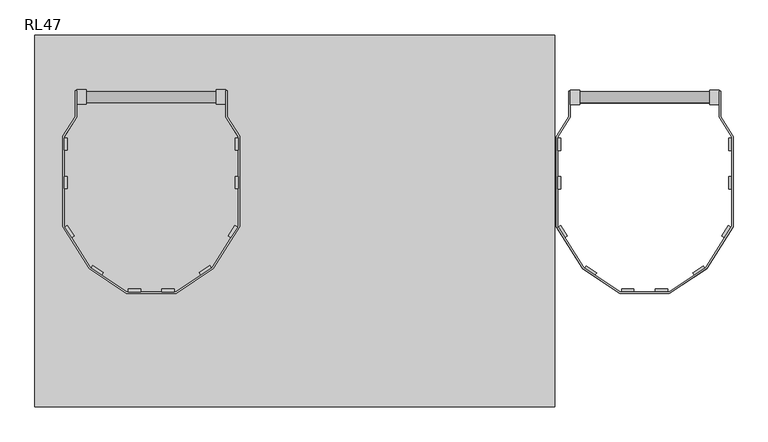
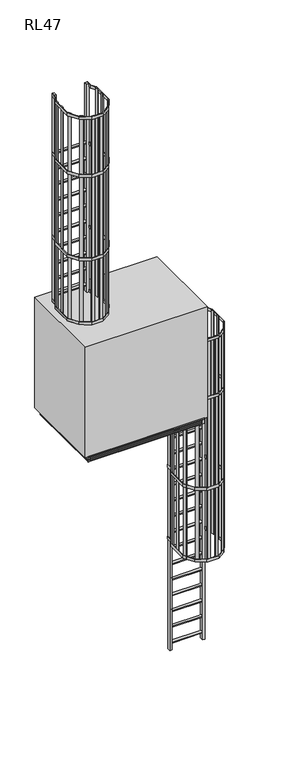
"""IFC4 building model written with IfcOpenShell, lengths in millimetres: proxy geometry, RL47."""

from ifc_helpers import new_model, si_unit, point, frame, frame_2d, origin, place, context, project, spatial, polyline, circle_curve, trimmed, segment, composite_curve, outline, extrude, faceted_brep, source, transform, mapped, element, save


def rl47_a1e043c0(model_context):
    return source(origin(), model_context, "Body", "SolidModel", [
        extrude(outline(polyline([(0.25, 5990.0), (0.25, 5424.0), (-699.75, 5424.0), (-699.75, 5990.0), (0.25, 5990.0)]), holes=[polyline([(-641.75, 5932.0), (-641.75, 5482.0), (-57.75, 5482.0), (-57.75, 5932.0), (-641.75, 5932.0)])]), frame((-400.0, 0.0, 0.0), z_axis=(1.0, 0.0, 0.0), x_axis=(0.0, 1.0, 0.0)), (0.0, 0.0, 1.0), 38.0),
        faceted_brep([(-2372.0, 139.0, 4984.0), (-2410.5, 139.0, 4984.0), (-2410.5, -1275.0, 4984.0), (-2372.0, -1275.0, 4984.0), (-2372.0, -1278.0, 4984.0), (-449.0, -1278.0, 4984.0), (-449.0, -1275.0, 4984.0), (-410.5, -1275.0, 4984.0), (-410.5, 139.0, 4984.0), (-449.0, 139.0, 4984.0), (-449.0, 142.0, 4984.0), (-2372.0, 142.0, 4984.0), (-449.0, 103.5, 4984.0), (-449.0, -1239.5, 4984.0), (-2372.0, -1239.5, 4984.0), (-2372.0, 103.5, 4984.0), (-2372.0, 139.0, 4904.0), (-2372.0, 142.0, 4904.0), (-449.0, 142.0, 4904.0), (-449.0, 139.0, 4904.0), (-410.5, 139.0, 4904.0), (-410.5, -1275.0, 4904.0), (-449.0, -1275.0, 4904.0), (-449.0, -1278.0, 4904.0), (-2372.0, -1278.0, 4904.0), (-2372.0, -1275.0, 4904.0), (-2410.5, -1275.0, 4904.0), (-2410.5, 139.0, 4904.0), (-449.0, 103.5, 4904.0), (-2372.0, 103.5, 4904.0), (-2372.0, -1239.5, 4904.0), (-449.0, -1239.5, 4904.0), (-2372.0, 139.0, 4977.0), (-2410.5, 139.0, 4977.0), (-2410.5, 139.0, 4911.0), (-2372.0, 139.0, 4911.0), (-2372.0, 139.0, 4967.0), (-2372.0, 139.0, 4949.0), (-2410.5, 139.0, 4949.0), (-2410.5, 139.0, 4967.0), (-2372.0, 139.0, 4939.0), (-2372.0, 139.0, 4921.0), (-2410.5, 139.0, 4921.0), (-2410.5, 139.0, 4939.0), (-2410.5, -1275.0, 4977.0), (-2410.5, -1275.0, 4911.0), (-2410.5, -1275.0, 4949.0), (-2410.5, -1275.0, 4967.0), (-2410.5, -1275.0, 4921.0), (-2410.5, -1275.0, 4939.0), (-449.0, -1275.0, 4977.0), (-410.5, -1275.0, 4977.0), (-410.5, -1275.0, 4911.0), (-449.0, -1275.0, 4911.0), (-449.0, -1275.0, 4967.0), (-449.0, -1275.0, 4949.0), (-410.5, -1275.0, 4949.0), (-410.5, -1275.0, 4967.0), (-449.0, -1275.0, 4939.0), (-449.0, -1275.0, 4921.0), (-410.5, -1275.0, 4921.0), (-410.5, -1275.0, 4939.0), (-410.5, 139.0, 4977.0), (-410.5, 139.0, 4911.0), (-410.5, 139.0, 4949.0), (-410.5, 139.0, 4967.0), (-410.5, 139.0, 4921.0), (-410.5, 139.0, 4939.0), (-2372.0, -1275.0, 4977.0), (-2372.0, -1275.0, 4911.0), (-2372.0, -1275.0, 4949.0), (-2372.0, -1275.0, 4967.0), (-2372.0, -1275.0, 4921.0), (-2372.0, -1275.0, 4939.0), (-2372.0, -1278.0, 4977.0), (-2372.0, -1278.0, 4911.0), (-2372.0, -1278.0, 4949.0), (-2372.0, -1278.0, 4967.0), (-2372.0, -1278.0, 4921.0), (-2372.0, -1278.0, 4939.0), (-449.0, -1278.0, 4977.0), (-449.0, -1278.0, 4911.0), (-449.0, -1278.0, 4949.0), (-449.0, -1278.0, 4967.0), (-449.0, -1278.0, 4921.0), (-449.0, -1278.0, 4939.0), (-449.0, 139.0, 4977.0), (-449.0, 139.0, 4911.0), (-449.0, 139.0, 4949.0), (-449.0, 139.0, 4967.0), (-449.0, 139.0, 4921.0), (-449.0, 139.0, 4939.0), (-449.0, 142.0, 4977.0), (-449.0, 142.0, 4911.0), (-449.0, 142.0, 4949.0), (-449.0, 142.0, 4967.0), (-449.0, 142.0, 4921.0), (-449.0, 142.0, 4939.0), (-2372.0, 142.0, 4977.0), (-2372.0, 142.0, 4911.0), (-2372.0, 142.0, 4949.0), (-2372.0, 142.0, 4967.0), (-2372.0, 142.0, 4921.0), (-2372.0, 142.0, 4939.0), (-423.5, 129.0, 4977.0), (-423.5, -1265.0, 4977.0), (-423.5, -1265.0, 4967.0), (-423.5, 129.0, 4967.0), (-423.5, 129.0, 4921.0), (-423.5, -1265.0, 4921.0), (-423.5, -1265.0, 4911.0), (-423.5, 129.0, 4911.0), (-2397.5, -1265.0, 4977.0), (-2397.5, -1265.0, 4967.0), (-2397.5, -1265.0, 4921.0), (-2397.5, -1265.0, 4911.0), (-2397.5, 129.0, 4977.0), (-2397.5, 129.0, 4967.0), (-2397.5, 129.0, 4921.0), (-2397.5, 129.0, 4911.0), (-423.5, 129.0, 4949.0), (-423.5, -1265.0, 4949.0), (-423.5, -1265.0, 4939.0), (-423.5, 129.0, 4939.0), (-2397.5, -1265.0, 4949.0), (-2397.5, -1265.0, 4939.0), (-2397.5, 129.0, 4949.0), (-2397.5, 129.0, 4939.0)], [[[0, 1, 2, 3, 4, 5, 6, 7, 8, 9, 10, 11], [12, 13, 14, 15]], [[16, 17, 18, 19, 20, 21, 22, 23, 24, 25, 26, 27], [28, 29, 30, 31]], [[1, 0, 32, 33]], [[16, 27, 34, 35]], [[36, 37, 38, 39]], [[40, 41, 42, 43]], [[2, 1, 33, 44]], [[27, 26, 45, 34]], [[39, 38, 46, 47]], [[43, 42, 48, 49]], [[7, 6, 50, 51]], [[22, 21, 52, 53]], [[54, 55, 56, 57]], [[58, 59, 60, 61]], [[8, 7, 51, 62]], [[21, 20, 63, 52]], [[57, 56, 64, 65]], [[61, 60, 66, 67]], [[13, 12, 28, 31]], [[14, 13, 31, 30]], [[15, 14, 30, 29]], [[12, 15, 29, 28]], [[3, 2, 44, 68]], [[26, 25, 69, 45]], [[47, 46, 70, 71]], [[49, 48, 72, 73]], [[4, 3, 68, 74]], [[25, 24, 75, 69]], [[71, 70, 76, 77]], [[73, 72, 78, 79]], [[5, 4, 74, 80]], [[24, 23, 81, 75]], [[77, 76, 82, 83]], [[79, 78, 84, 85]], [[6, 5, 80, 50]], [[23, 22, 53, 81]], [[55, 54, 83, 82]], [[59, 58, 85, 84]], [[9, 8, 62, 86]], [[20, 19, 87, 63]], [[65, 64, 88, 89]], [[67, 66, 90, 91]], [[10, 9, 86, 92]], [[19, 18, 93, 87]], [[89, 88, 94, 95]], [[91, 90, 96, 97]], [[11, 10, 92, 98]], [[18, 17, 99, 93]], [[95, 94, 100, 101]], [[97, 96, 102, 103]], [[0, 11, 98, 32]], [[17, 16, 35, 99]], [[37, 36, 101, 100]], [[41, 40, 103, 102]], [[104, 105, 106, 107]], [[108, 109, 110, 111]], [[106, 105, 112, 113]], [[110, 109, 114, 115]], [[113, 112, 116, 117]], [[115, 114, 118, 119]], [[33, 32, 98, 92, 86, 62, 51, 50, 80, 74, 68, 44], [105, 104, 116, 112]], [[36, 39, 47, 71, 77, 83, 54, 57, 65, 89, 95, 101], [107, 106, 113, 117]], [[104, 107, 117, 116]], [[42, 41, 102, 96, 90, 66, 60, 59, 84, 78, 72, 48], [109, 108, 118, 114]], [[35, 34, 45, 69, 75, 81, 53, 52, 63, 87, 93, 99], [111, 110, 115, 119]], [[108, 111, 119, 118]], [[120, 121, 122, 123]], [[122, 121, 124, 125]], [[125, 124, 126, 127]], [[38, 37, 100, 94, 88, 64, 56, 55, 82, 76, 70, 46], [121, 120, 126, 124]], [[40, 43, 49, 73, 79, 85, 58, 61, 67, 91, 97, 103], [123, 122, 125, 127]], [[120, 123, 127, 126]]]),
        extrude(outline(polyline([(-410.5, 142.0), (-410.5, -1278.0), (-2410.5, -1278.0), (-2410.5, 142.0), (-410.5, 142.0)]), holes=[polyline([(-469.5, 123.5), (-2351.5, 123.5), (-2351.5, -1259.5), (-469.5, -1259.5), (-469.5, 123.5)])]), frame((0.0, 0.0, 4984.0), z_axis=(0.0, 0.0, 1.0), x_axis=(1.0, 0.0, 0.0)), (0.0, 0.0, 1.0), 19.0),
        extrude(outline(polyline([(-469.5, 123.5), (-469.5, -1259.5), (-2351.5, -1259.5), (-2351.5, 123.5), (-469.5, 123.5)])), frame((0.0, 0.0, 4984.0), z_axis=(0.0, 0.0, 1.0), x_axis=(1.0, 0.0, 0.0)), (0.0, 0.0, 1.0), 16.0),
        extrude(outline(polyline([(-2410.5, 142.0), (-2372.0, 142.0), (-2372.0, 139.0), (-2410.5, 139.0), (-2410.5, 142.0)])), frame((0.0, 0.0, 4904.0), z_axis=(0.0, 0.0, 1.0), x_axis=(1.0, 0.0, 0.0)), (0.0, 0.0, 1.0), 80.0),
        extrude(outline(polyline([(-449.0, 142.0), (-410.5, 142.0), (-410.5, 139.0), (-449.0, 139.0), (-449.0, 142.0)])), frame((0.0, 0.0, 4904.0), z_axis=(0.0, 0.0, 1.0), x_axis=(1.0, 0.0, 0.0)), (0.0, 0.0, 1.0), 80.0),
        extrude(outline(polyline([(-2372.0, -1278.0), (-2410.5, -1278.0), (-2410.5, -1275.0), (-2372.0, -1275.0), (-2372.0, -1278.0)])), frame((0.0, 0.0, 4904.0), z_axis=(0.0, 0.0, 1.0), x_axis=(1.0, 0.0, 0.0)), (0.0, 0.0, 1.0), 80.0),
        extrude(outline(polyline([(-410.5, -1278.0), (-449.0, -1278.0), (-449.0, -1275.0), (-410.5, -1275.0), (-410.5, -1278.0)])), frame((0.0, 0.0, 4904.0), z_axis=(0.0, 0.0, 1.0), x_axis=(1.0, 0.0, 0.0)), (0.0, 0.0, 1.0), 80.0),
        faceted_brep([(-362.5, -1278.0, 7000.0), (-362.5, -1278.0, 5000.0), (-362.5, -712.25, 5000.0), (-362.5, -712.25, 5990.0), (-362.5, 12.75, 5990.0), (-362.5, 12.75, 5000.0), (-362.5, 222.0, 5000.0), (-362.5, 222.0, 7000.0), (-2458.5, -1278.0, 7000.0), (-2458.5, 222.0, 7000.0), (-2458.5, 222.0, 5000.0), (-2458.5, -1278.0, 5000.0), (-454.0, 12.75, 5000.0), (-454.0, -712.25, 5000.0), (-454.0, -712.25, 5990.0), (-454.0, 12.75, 5990.0)], [[[0, 1, 2, 3, 4, 5, 6, 7]], [[8, 9, 10, 11]], [[1, 0, 8, 11]], [[11, 10, 6, 5, 12, 13, 2, 1]], [[7, 6, 10, 9]], [[0, 7, 9, 8]], [[14, 15, 4, 3]], [[15, 12, 5, 4]], [[15, 14, 13, 12]], [[13, 14, 3, 2]]]),
        extrude(outline(polyline([(-2289.4565175, -641.6829436), (-2346.0, -551.0), (-2346.0, -187.2646621), (-2295.5, -107.2646621), (-2295.5, -4.0), (-2289.5, -4.0), (-2289.5, -109.0), (-2340.0, -189.0), (-2340.0, -549.2826578), (-2284.4374983, -638.3923304), (-2289.4565175, -641.6829436)])), frame((0.0, 0.0, 6000.0), z_axis=(0.0, 0.0, 1.0), x_axis=(1.0, 0.0, 0.0)), (0.0, 0.0, 1.0), 50.0),
        extrude(outline(polyline([(-2328.0, -244.0), (-2340.0, -244.0), (-2340.0, -194.0), (-2328.0, -194.0), (-2328.0, -244.0)])), frame((0.0, 0.0, 6000.0), z_axis=(0.0, 0.0, 1.0), x_axis=(1.0, 0.0, 0.0)), (0.0, 0.0, 1.0), 1000.0),
        extrude(outline(polyline([(-2328.0, -399.1413289), (-2340.0, -399.1413289), (-2340.0, -349.1413289), (-2328.0, -349.1413289), (-2328.0, -399.1413289)])), frame((0.0, 0.0, 6000.0), z_axis=(0.0, 0.0, 1.0), x_axis=(1.0, 0.0, 0.0)), (0.0, 0.0, 1.0), 1000.0),
        extrude(outline(polyline([(-2300.7167249, -589.6041694), (-2310.899429, -595.9533849), (-2337.3544935, -553.5254512), (-2327.1717895, -547.1762357), (-2300.7167249, -589.6041694)])), frame((0.0, 0.0, 6000.0), z_axis=(0.0, 0.0, 1.0), x_axis=(1.0, 0.0, 0.0)), (0.0, 0.0, 1.0), 1000.0),
        extrude(outline(polyline([(-2284.4374983, -638.3923304), (-2289.4565175, -641.6829436), (-2346.0, -551.0), (-2346.0, -187.2646621), (-2295.5, -107.2646621), (-2295.5, -4.0), (-2289.5, -4.0), (-2289.5, -109.0), (-2340.0, -189.0), (-2340.0, -549.2826578), (-2284.4374983, -638.3923304)])), frame((0.0, 0.0, 6950.0), z_axis=(0.0, 0.0, 1.0), x_axis=(1.0, 0.0, 0.0)), (0.0, 0.0, 1.0), 50.0),
        extrude(outline(polyline([(-2340.0, -399.1413289), (-2340.0, -349.1413289), (-2328.0, -349.1413289), (-2328.0, -399.1413289), (-2340.0, -399.1413289)])), frame((0.0, 0.0, 7000.0), z_axis=(0.0, 0.0, 1.0), x_axis=(1.0, 0.0, 0.0)), (0.0, 0.0, 1.0), 3775.0),
        extrude(outline(polyline([(-2340.0, -244.0), (-2340.0, -194.0), (-2328.0, -194.0), (-2328.0, -244.0), (-2340.0, -244.0)])), frame((0.0, 0.0, 7000.0), z_axis=(0.0, 0.0, 1.0), x_axis=(1.0, 0.0, 0.0)), (0.0, 0.0, 1.0), 3775.0),
        extrude(outline(polyline([(-2089.5, -821.0), (-2240.0, -721.0), (-2346.0, -551.0), (-2346.0, -187.2646621), (-2295.5, -107.2646621), (-2295.5, -4.0), (-2289.5, -4.0), (-2289.5, -109.0), (-2340.0, -189.0), (-2340.0, -549.2826578), (-2235.5965631, -716.7221321), (-2087.6883719, -815.0), (-1891.3116281, -815.0), (-1743.4034369, -716.7221321), (-1639.0, -549.2826578), (-1639.0, -189.0), (-1689.5, -109.0), (-1689.5, -4.0), (-1683.5, -4.0), (-1683.5, -107.2646621), (-1633.0, -187.2646621), (-1633.0, -551.0), (-1739.0, -721.0), (-1889.5, -821.0), (-2089.5, -821.0)])), frame((0.0, 0.0, 8162.5), z_axis=(0.0, 0.0, 1.0), x_axis=(1.0, 0.0, 0.0)), (0.0, 0.0, 1.0), 50.0),
        extrude(outline(polyline([(-2089.5, -821.0), (-2240.0, -721.0), (-2346.0, -551.0), (-2346.0, -187.2646621), (-2295.5, -107.2646621), (-2295.5, -4.0), (-2289.5, -4.0), (-2289.5, -109.0), (-2340.0, -189.0), (-2340.0, -549.2826578), (-2235.5965631, -716.7221321), (-2087.6883719, -815.0), (-1891.3116281, -815.0), (-1743.4034369, -716.7221321), (-1639.0, -549.2826578), (-1639.0, -189.0), (-1689.5, -109.0), (-1689.5, -4.0), (-1683.5, -4.0), (-1683.5, -107.2646621), (-1633.0, -187.2646621), (-1633.0, -551.0), (-1739.0, -721.0), (-1889.5, -821.0), (-2089.5, -821.0)])), frame((0.0, 0.0, 9675.0), z_axis=(0.0, 0.0, 1.0), x_axis=(1.0, 0.0, 0.0)), (0.0, 0.0, 1.0), 50.0),
        extrude(outline(polyline([(-2089.5, -821.0), (-2240.0, -721.0), (-2346.0, -551.0), (-2346.0, -187.2646621), (-2295.5, -107.2646621), (-2295.5, -4.0), (-2289.5, -4.0), (-2289.5, -109.0), (-2340.0, -189.0), (-2340.0, -549.2826578), (-2235.5965631, -716.7221321), (-2087.6883719, -815.0), (-1891.3116281, -815.0), (-1743.4034369, -716.7221321), (-1639.0, -549.2826578), (-1639.0, -189.0), (-1689.5, -109.0), (-1689.5, -4.0), (-1683.5, -4.0), (-1683.5, -107.2646621), (-1633.0, -187.2646621), (-1633.0, -551.0), (-1739.0, -721.0), (-1889.5, -821.0), (-2089.5, -821.0)])), frame((0.0, 0.0, 7000.0), z_axis=(0.0, 0.0, 1.0), x_axis=(1.0, 0.0, 0.0)), (0.0, 0.0, 1.0), 50.0),
        extrude(outline(polyline([(-2082.6883719, -815.0), (-2082.6883719, -803.0), (-2032.6883719, -803.0), (-2032.6883719, -815.0), (-2082.6883719, -815.0)])), frame((0.0, 0.0, 7000.0), z_axis=(0.0, 0.0, 1.0), x_axis=(1.0, 0.0, 0.0)), (0.0, 0.0, 1.0), 3775.0),
        extrude(outline(polyline([(-2300.7167249, -589.6041694), (-2310.899429, -595.9533849), (-2337.3544935, -553.5254512), (-2327.1717895, -547.1762357), (-2300.7167249, -589.6041694)])), frame((0.0, 0.0, 7000.0), z_axis=(0.0, 0.0, 1.0), x_axis=(1.0, 0.0, 0.0)), (0.0, 0.0, 1.0), 3775.0),
        extrude(outline(polyline([(-2189.7870228, -747.1603648), (-2231.4320595, -719.4892441), (-2224.7909905, -709.4944353), (-2183.1459538, -737.165556), (-2189.7870228, -747.1603648)])), frame((0.0, 0.0, 7000.0), z_axis=(0.0, 0.0, 1.0), x_axis=(1.0, 0.0, 0.0)), (0.0, 0.0, 1.0), 3775.0),
        extrude(outline(polyline([(-1896.3116281, -815.0), (-1946.3116281, -815.0), (-1946.3116281, -803.0), (-1896.3116281, -803.0), (-1896.3116281, -815.0)])), frame((0.0, 0.0, 7000.0), z_axis=(0.0, 0.0, 1.0), x_axis=(1.0, 0.0, 0.0)), (0.0, 0.0, 1.0), 3775.0),
        extrude(outline(polyline([(-1678.2832751, -589.6041694), (-1651.8282105, -547.1762357), (-1641.6455065, -553.5254512), (-1668.100571, -595.9533849), (-1678.2832751, -589.6041694)])), frame((0.0, 0.0, 7000.0), z_axis=(0.0, 0.0, 1.0), x_axis=(1.0, 0.0, 0.0)), (0.0, 0.0, 1.0), 3775.0),
        extrude(outline(polyline([(-1789.2129772, -747.1603648), (-1795.8540462, -737.165556), (-1754.2090095, -709.4944353), (-1747.5679405, -719.4892441), (-1789.2129772, -747.1603648)])), frame((0.0, 0.0, 7000.0), z_axis=(0.0, 0.0, 1.0), x_axis=(1.0, 0.0, 0.0)), (0.0, 0.0, 1.0), 3775.0),
        extrude(outline(polyline([(-1639.0, -399.1413289), (-1651.0, -399.1413289), (-1651.0, -349.1413289), (-1639.0, -349.1413289), (-1639.0, -399.1413289)])), frame((0.0, 0.0, 7000.0), z_axis=(0.0, 0.0, 1.0), x_axis=(1.0, 0.0, 0.0)), (0.0, 0.0, 1.0), 3775.0),
        extrude(outline(polyline([(-1639.0, -244.0), (-1651.0, -244.0), (-1651.0, -194.0), (-1639.0, -194.0), (-1639.0, -244.0)])), frame((0.0, 0.0, 7000.0), z_axis=(0.0, 0.0, 1.0), x_axis=(1.0, 0.0, 0.0)), (0.0, 0.0, 1.0), 3775.0),
        extrude(outline(polyline([(-2089.5, -821.0), (-2240.0, -721.0), (-2346.0, -551.0), (-2346.0, -187.2646621), (-2295.5, -107.2646621), (-2295.5, -4.0), (-2289.5, -4.0), (-2289.5, -109.0), (-2340.0, -189.0), (-2340.0, -549.2826578), (-2235.5965631, -716.7221321), (-2087.6883719, -815.0), (-1891.3116281, -815.0), (-1743.4034369, -716.7221321), (-1639.0, -549.2826578), (-1639.0, -189.0), (-1689.5, -109.0), (-1689.5, -4.0), (-1683.5, -4.0), (-1683.5, -107.2646621), (-1633.0, -187.2646621), (-1633.0, -551.0), (-1739.0, -721.0), (-1889.5, -821.0), (-2089.5, -821.0)])), frame((0.0, 0.0, 10725.0), z_axis=(0.0, 0.0, 1.0), x_axis=(1.0, 0.0, 0.0)), (0.0, 0.0, 1.0), 50.0),
        extrude(outline(composite_curve([segment(polyline([(-51.5, 9409.25), (-51.5, 9426.25)]), True, "CONTINUOUS"), segment(trimmed(circle_curve(frame_2d((-29.0, 9413.2788462)), 25.9711538), [point((-51.5, 9426.25))], [point((-6.5, 9426.25))], False, "CARTESIAN"), True, "CONTINUOUS"), segment(polyline([(-6.5, 9426.25), (-6.5, 9409.25), (-51.5, 9409.25)]), True, "CONTINUOUS")], self_intersect=False)), frame((-2251.5, 0.0, 0.0), z_axis=(1.0, 0.0, 0.0), x_axis=(0.0, 1.0, 0.0)), (0.0, 0.0, 1.0), 524.0),
        extrude(outline(composite_curve([segment(polyline([(-51.5, 9123.5), (-51.5, 9140.5)]), True, "CONTINUOUS"), segment(trimmed(circle_curve(frame_2d((-29.0, 9127.5288462)), 25.9711538), [point((-51.5, 9140.5))], [point((-6.5, 9140.5))], False, "CARTESIAN"), True, "CONTINUOUS"), segment(polyline([(-6.5, 9140.5), (-6.5, 9123.5), (-51.5, 9123.5)]), True, "CONTINUOUS")], self_intersect=False)), frame((-2251.5, 0.0, 0.0), z_axis=(1.0, 0.0, 0.0), x_axis=(0.0, 1.0, 0.0)), (0.0, 0.0, 1.0), 524.0),
        extrude(outline(composite_curve([segment(polyline([(-51.5, 8837.75), (-51.5, 8854.75)]), True, "CONTINUOUS"), segment(trimmed(circle_curve(frame_2d((-29.0, 8841.7788462)), 25.9711538), [point((-51.5, 8854.75))], [point((-6.5, 8854.75))], False, "CARTESIAN"), True, "CONTINUOUS"), segment(polyline([(-6.5, 8854.75), (-6.5, 8837.75), (-51.5, 8837.75)]), True, "CONTINUOUS")], self_intersect=False)), frame((-2251.5, 0.0, 0.0), z_axis=(1.0, 0.0, 0.0), x_axis=(0.0, 1.0, 0.0)), (0.0, 0.0, 1.0), 524.0),
        extrude(outline(composite_curve([segment(polyline([(-51.5, 8552.0), (-51.5, 8569.0)]), True, "CONTINUOUS"), segment(trimmed(circle_curve(frame_2d((-29.0, 8556.0288462)), 25.9711538), [point((-51.5, 8569.0))], [point((-6.5, 8569.0))], False, "CARTESIAN"), True, "CONTINUOUS"), segment(polyline([(-6.5, 8569.0), (-6.5, 8552.0), (-51.5, 8552.0)]), True, "CONTINUOUS")], self_intersect=False)), frame((-2251.5, 0.0, 0.0), z_axis=(1.0, 0.0, 0.0), x_axis=(0.0, 1.0, 0.0)), (0.0, 0.0, 1.0), 524.0),
        extrude(outline(composite_curve([segment(polyline([(-51.5, 8266.25), (-51.5, 8283.25)]), True, "CONTINUOUS"), segment(trimmed(circle_curve(frame_2d((-29.0, 8270.2788462)), 25.9711538), [point((-51.5, 8283.25))], [point((-6.5, 8283.25))], False, "CARTESIAN"), True, "CONTINUOUS"), segment(polyline([(-6.5, 8283.25), (-6.5, 8266.25), (-51.5, 8266.25)]), True, "CONTINUOUS")], self_intersect=False)), frame((-2251.5, 0.0, 0.0), z_axis=(1.0, 0.0, 0.0), x_axis=(0.0, 1.0, 0.0)), (0.0, 0.0, 1.0), 524.0),
        extrude(outline(composite_curve([segment(polyline([(-51.5, 7980.5), (-51.5, 7997.5)]), True, "CONTINUOUS"), segment(trimmed(circle_curve(frame_2d((-29.0, 7984.5288462)), 25.9711538), [point((-51.5, 7997.5))], [point((-6.5, 7997.5))], False, "CARTESIAN"), True, "CONTINUOUS"), segment(polyline([(-6.5, 7997.5), (-6.5, 7980.5), (-51.5, 7980.5)]), True, "CONTINUOUS")], self_intersect=False)), frame((-2251.5, 0.0, 0.0), z_axis=(1.0, 0.0, 0.0), x_axis=(0.0, 1.0, 0.0)), (0.0, 0.0, 1.0), 524.0),
        extrude(outline(composite_curve([segment(polyline([(-51.5, 7694.75), (-51.5, 7711.75)]), True, "CONTINUOUS"), segment(trimmed(circle_curve(frame_2d((-29.0, 7698.7788462)), 25.9711538), [point((-51.5, 7711.75))], [point((-6.5, 7711.75))], False, "CARTESIAN"), True, "CONTINUOUS"), segment(polyline([(-6.5, 7711.75), (-6.5, 7694.75), (-51.5, 7694.75)]), True, "CONTINUOUS")], self_intersect=False)), frame((-2251.5, 0.0, 0.0), z_axis=(1.0, 0.0, 0.0), x_axis=(0.0, 1.0, 0.0)), (0.0, 0.0, 1.0), 524.0),
        extrude(outline(composite_curve([segment(polyline([(-51.5, 7409.0), (-51.5, 7426.0)]), True, "CONTINUOUS"), segment(trimmed(circle_curve(frame_2d((-29.0, 7413.0288462)), 25.9711538), [point((-51.5, 7426.0))], [point((-6.5, 7426.0))], False, "CARTESIAN"), True, "CONTINUOUS"), segment(polyline([(-6.5, 7426.0), (-6.5, 7409.0), (-51.5, 7409.0)]), True, "CONTINUOUS")], self_intersect=False)), frame((-2251.5, 0.0, 0.0), z_axis=(1.0, 0.0, 0.0), x_axis=(0.0, 1.0, 0.0)), (0.0, 0.0, 1.0), 524.0),
        extrude(outline(composite_curve([segment(polyline([(-51.5, 7123.25), (-51.5, 7140.25)]), True, "CONTINUOUS"), segment(trimmed(circle_curve(frame_2d((-29.0, 7127.2788462)), 25.9711538), [point((-51.5, 7140.25))], [point((-6.5, 7140.25))], False, "CARTESIAN"), True, "CONTINUOUS"), segment(polyline([(-6.5, 7140.25), (-6.5, 7123.25), (-51.5, 7123.25)]), True, "CONTINUOUS")], self_intersect=False)), frame((-2251.5, 0.0, 0.0), z_axis=(1.0, 0.0, 0.0), x_axis=(0.0, 1.0, 0.0)), (0.0, 0.0, 1.0), 524.0),
        extrude(outline(composite_curve([segment(polyline([(-51.5, 6837.5), (-51.5, 6854.5)]), True, "CONTINUOUS"), segment(trimmed(circle_curve(frame_2d((-29.0, 6841.5288462)), 25.9711538), [point((-51.5, 6854.5))], [point((-6.5, 6854.5))], False, "CARTESIAN"), True, "CONTINUOUS"), segment(polyline([(-6.5, 6854.5), (-6.5, 6837.5), (-51.5, 6837.5)]), True, "CONTINUOUS")], self_intersect=False)), frame((-2251.5, 0.0, 0.0), z_axis=(1.0, 0.0, 0.0), x_axis=(0.0, 1.0, 0.0)), (0.0, 0.0, 1.0), 524.0),
        extrude(outline(composite_curve([segment(polyline([(-51.5, 6551.75), (-51.5, 6568.75)]), True, "CONTINUOUS"), segment(trimmed(circle_curve(frame_2d((-29.0, 6555.7788462)), 25.9711538), [point((-51.5, 6568.75))], [point((-6.5, 6568.75))], False, "CARTESIAN"), True, "CONTINUOUS"), segment(polyline([(-6.5, 6568.75), (-6.5, 6551.75), (-51.5, 6551.75)]), True, "CONTINUOUS")], self_intersect=False)), frame((-2251.5, 0.0, 0.0), z_axis=(1.0, 0.0, 0.0), x_axis=(0.0, 1.0, 0.0)), (0.0, 0.0, 1.0), 524.0),
        extrude(outline(composite_curve([segment(polyline([(-51.5, 6266.0), (-51.5, 6283.0)]), True, "CONTINUOUS"), segment(trimmed(circle_curve(frame_2d((-29.0, 6270.0288462)), 25.9711538), [point((-51.5, 6283.0))], [point((-6.5, 6283.0))], False, "CARTESIAN"), True, "CONTINUOUS"), segment(polyline([(-6.5, 6283.0), (-6.5, 6266.0), (-51.5, 6266.0)]), True, "CONTINUOUS")], self_intersect=False)), frame((-2251.5, 0.0, 0.0), z_axis=(1.0, 0.0, 0.0), x_axis=(0.0, 1.0, 0.0)), (0.0, 0.0, 1.0), 524.0),
        extrude(outline(composite_curve([segment(polyline([(-51.5, 5980.25), (-51.5, 5997.25)]), True, "CONTINUOUS"), segment(trimmed(circle_curve(frame_2d((-29.0, 5984.2788462)), 25.9711538), [point((-51.5, 5997.25))], [point((-6.5, 5997.25))], False, "CARTESIAN"), True, "CONTINUOUS"), segment(polyline([(-6.5, 5997.25), (-6.5, 5980.25), (-51.5, 5980.25)]), True, "CONTINUOUS")], self_intersect=False)), frame((-2251.5, 0.0, 0.0), z_axis=(1.0, 0.0, 0.0), x_axis=(0.0, 1.0, 0.0)), (0.0, 0.0, 1.0), 524.0),
        extrude(outline(composite_curve([segment(polyline([(-51.5, 5694.5), (-51.5, 5711.5)]), True, "CONTINUOUS"), segment(trimmed(circle_curve(frame_2d((-29.0, 5698.5288462)), 25.9711538), [point((-51.5, 5711.5))], [point((-6.5, 5711.5))], False, "CARTESIAN"), True, "CONTINUOUS"), segment(polyline([(-6.5, 5711.5), (-6.5, 5694.5), (-51.5, 5694.5)]), True, "CONTINUOUS")], self_intersect=False)), frame((-2251.5, 0.0, 0.0), z_axis=(1.0, 0.0, 0.0), x_axis=(0.0, 1.0, 0.0)), (0.0, 0.0, 1.0), 524.0),
        extrude(outline(composite_curve([segment(polyline([(-51.5, 5408.75), (-51.5, 5425.75)]), True, "CONTINUOUS"), segment(trimmed(circle_curve(frame_2d((-29.0, 5412.7788462)), 25.9711538), [point((-51.5, 5425.75))], [point((-6.5, 5425.75))], False, "CARTESIAN"), True, "CONTINUOUS"), segment(polyline([(-6.5, 5425.75), (-6.5, 5408.75), (-51.5, 5408.75)]), True, "CONTINUOUS")], self_intersect=False)), frame((-2251.5, 0.0, 0.0), z_axis=(1.0, 0.0, 0.0), x_axis=(0.0, 1.0, 0.0)), (0.0, 0.0, 1.0), 524.0),
        extrude(outline(composite_curve([segment(polyline([(-51.5, 9695.0), (-51.5, 9712.0)]), True, "CONTINUOUS"), segment(trimmed(circle_curve(frame_2d((-29.0, 9699.0288462)), 25.9711538), [point((-51.5, 9712.0))], [point((-6.5, 9712.0))], False, "CARTESIAN"), True, "CONTINUOUS"), segment(polyline([(-6.5, 9712.0), (-6.5, 9695.0), (-51.5, 9695.0)]), True, "CONTINUOUS")], self_intersect=False)), frame((-2251.5, 0.0, 0.0), z_axis=(1.0, 0.0, 0.0), x_axis=(0.0, 1.0, 0.0)), (0.0, 0.0, 1.0), 524.0),
        extrude(outline(composite_curve([segment(polyline([(-51.5, 5123.0), (-51.5, 5140.0)]), True, "CONTINUOUS"), segment(trimmed(circle_curve(frame_2d((-29.0, 5127.0288462)), 25.9711538), [point((-51.5, 5140.0))], [point((-6.5, 5140.0))], False, "CARTESIAN"), True, "CONTINUOUS"), segment(polyline([(-6.5, 5140.0), (-6.5, 5123.0), (-51.5, 5123.0)]), True, "CONTINUOUS")], self_intersect=False)), frame((-2251.5, 0.0, 0.0), z_axis=(1.0, 0.0, 0.0), x_axis=(0.0, 1.0, 0.0)), (0.0, 0.0, 1.0), 524.0),
        extrude(outline(polyline([(-1689.5, -58.0), (-1727.5, -58.0), (-1727.5, 0.0), (-1689.5, 0.0), (-1689.5, -58.0)])), frame((0.0, 0.0, 5003.0), z_axis=(0.0, 0.0, 1.0), x_axis=(1.0, 0.0, 0.0)), (0.0, 0.0, 1.0), 5772.0),
        extrude(outline(polyline([(-2251.5, -58.0), (-2289.5, -58.0), (-2289.5, 0.0), (-2251.5, 0.0), (-2251.5, -58.0)])), frame((0.0, 0.0, 5003.0), z_axis=(0.0, 0.0, 1.0), x_axis=(1.0, 0.0, 0.0)), (0.0, 0.0, 1.0), 5772.0),
        faceted_brep([(-2293.0, -249.0, 5000.0), (-2240.0, -249.0, 5000.0), (-2240.0, -249.0, 5003.0), (-2290.0, -249.0, 5003.0), (-2293.0, -249.0, 5003.0), (-2290.0, 111.0, 5003.0), (-2240.0, 111.0, 5003.0), (-2240.0, 111.0, 5000.0), (-2293.0, 111.0, 5000.0), (-2293.0, 111.0, 5003.0), (-2290.0, -202.0, 5050.0), (-2290.0, 64.0, 5050.0), (-2293.0, 64.0, 5050.0), (-2293.0, -202.0, 5050.0)], [[[0, 1, 2, 3, 4]], [[5, 6, 7, 8, 9]], [[10, 11, 12, 13]], [[8, 0, 4, 13, 12, 9]], [[1, 0, 8, 7]], [[2, 1, 7, 6]], [[3, 2, 6, 5]], [[3, 5, 11, 10]], [[5, 9, 12, 11]], [[4, 3, 10, 13]]]),
        faceted_brep([(-1689.0, -249.0, 5003.0), (-1739.0, -249.0, 5003.0), (-1739.0, -249.0, 5000.0), (-1686.0, -249.0, 5000.0), (-1686.0, -249.0, 5003.0), (-1686.0, 111.0, 5000.0), (-1739.0, 111.0, 5000.0), (-1739.0, 111.0, 5003.0), (-1689.0, 111.0, 5003.0), (-1686.0, 111.0, 5003.0), (-1686.0, 64.0, 5050.0), (-1686.0, -202.0, 5050.0), (-1689.0, 64.0, 5050.0), (-1689.0, -202.0, 5050.0)], [[[0, 1, 2, 3, 4]], [[5, 6, 7, 8, 9]], [[1, 0, 8, 7]], [[2, 1, 7, 6]], [[3, 2, 6, 5]], [[3, 5, 9, 10, 11, 4]], [[11, 10, 12, 13]], [[8, 0, 13, 12]], [[9, 8, 12, 10]], [[0, 4, 11, 13]]]),
        extrude(outline(polyline([(-350.5, -399.1413289), (-350.5, -349.1413289), (-338.5, -349.1413289), (-338.5, -399.1413289), (-350.5, -399.1413289)])), frame((0.0, 0.0, 2000.0), z_axis=(0.0, 0.0, 1.0), x_axis=(1.0, 0.0, 0.0)), (0.0, 0.0, 1.0), 2950.0),
        extrude(outline(polyline([(-350.5, -244.0), (-350.5, -194.0), (-338.5, -194.0), (-338.5, -244.0), (-350.5, -244.0)])), frame((0.0, 0.0, 2000.0), z_axis=(0.0, 0.0, 1.0), x_axis=(1.0, 0.0, 0.0)), (0.0, 0.0, 1.0), 2950.0),
        extrude(outline(polyline([(-100.0, -821.0), (-250.5, -721.0), (-352.9458456, -556.700059), (-347.8544935, -553.5254512), (-246.0965631, -716.7221321), (-98.1883719, -815.0), (98.1883719, -815.0), (246.0965631, -716.7221321), (350.5, -549.2826578), (350.5, -189.0), (300.0, -109.0), (300.0, -4.0), (306.0, -4.0), (306.0, -107.2646621), (356.5, -187.2646621), (356.5, -551.0), (250.5, -721.0), (100.0, -821.0), (-100.0, -821.0)])), frame((0.0, 0.0, 4950.0), z_axis=(0.0, 0.0, 1.0), x_axis=(1.0, 0.0, 0.0)), (0.0, 0.0, 1.0), 50.0),
        extrude(outline(polyline([(-100.0, -821.0), (-250.5, -721.0), (-352.9458456, -556.700059), (-347.8544935, -553.5254512), (-246.0965631, -716.7221321), (-98.1883719, -815.0), (98.1883719, -815.0), (246.0965631, -716.7221321), (350.5, -549.2826578), (350.5, -189.0), (300.0, -109.0), (300.0, -4.0), (306.0, -4.0), (306.0, -107.2646621), (356.5, -187.2646621), (356.5, -551.0), (250.5, -721.0), (100.0, -821.0), (-100.0, -821.0)])), frame((0.0, 0.0, 6000.0), z_axis=(0.0, 0.0, 1.0), x_axis=(1.0, 0.0, 0.0)), (0.0, 0.0, 1.0), 50.0),
        extrude(outline(polyline([(-100.0, -821.0), (-250.5, -721.0), (-356.5, -551.0), (-356.5, -187.2646621), (-306.0, -107.2646621), (-306.0, -4.0), (-300.0, -4.0), (-300.0, -109.0), (-350.5, -189.0), (-350.5, -549.2826578), (-246.0965631, -716.7221321), (-98.1883719, -815.0), (98.1883719, -815.0), (246.0965631, -716.7221321), (350.5, -549.2826578), (350.5, -189.0), (300.0, -109.0), (300.0, -4.0), (306.0, -4.0), (306.0, -107.2646621), (356.5, -187.2646621), (356.5, -551.0), (250.5, -721.0), (100.0, -821.0), (-100.0, -821.0)])), frame((0.0, 0.0, 3300.0), z_axis=(0.0, 0.0, 1.0), x_axis=(1.0, 0.0, 0.0)), (0.0, 0.0, 1.0), 50.0),
        extrude(outline(polyline([(-100.0, -821.0), (-250.5, -721.0), (-356.5, -551.0), (-356.5, -187.2646621), (-306.0, -107.2646621), (-306.0, -4.0), (-300.0, -4.0), (-300.0, -109.0), (-350.5, -189.0), (-350.5, -549.2826578), (-246.0965631, -716.7221321), (-98.1883719, -815.0), (98.1883719, -815.0), (246.0965631, -716.7221321), (350.5, -549.2826578), (350.5, -189.0), (300.0, -109.0), (300.0, -4.0), (306.0, -4.0), (306.0, -107.2646621), (356.5, -187.2646621), (356.5, -551.0), (250.5, -721.0), (100.0, -821.0), (-100.0, -821.0)])), frame((0.0, 0.0, 2000.0), z_axis=(0.0, 0.0, 1.0), x_axis=(1.0, 0.0, 0.0)), (0.0, 0.0, 1.0), 50.0),
        extrude(outline(polyline([(-93.1883719, -815.0), (-93.1883719, -803.0), (-43.1883719, -803.0), (-43.1883719, -815.0), (-93.1883719, -815.0)])), frame((0.0, 0.0, 2000.0), z_axis=(0.0, 0.0, 1.0), x_axis=(1.0, 0.0, 0.0)), (0.0, 0.0, 1.0), 4050.0),
        extrude(outline(polyline([(-311.2167249, -589.6041694), (-321.399429, -595.9533849), (-347.8544935, -553.5254512), (-337.6717895, -547.1762357), (-311.2167249, -589.6041694)])), frame((0.0, 0.0, 2000.0), z_axis=(0.0, 0.0, 1.0), x_axis=(1.0, 0.0, 0.0)), (0.0, 0.0, 1.0), 4050.0),
        extrude(outline(polyline([(-200.2870228, -747.1603648), (-241.9320595, -719.4892441), (-235.2909905, -709.4944353), (-193.6459538, -737.165556), (-200.2870228, -747.1603648)])), frame((0.0, 0.0, 2000.0), z_axis=(0.0, 0.0, 1.0), x_axis=(1.0, 0.0, 0.0)), (0.0, 0.0, 1.0), 4050.0),
        extrude(outline(polyline([(93.1883719, -815.0), (43.1883719, -815.0), (43.1883719, -803.0), (93.1883719, -803.0), (93.1883719, -815.0)])), frame((0.0, 0.0, 2000.0), z_axis=(0.0, 0.0, 1.0), x_axis=(1.0, 0.0, 0.0)), (0.0, 0.0, 1.0), 4050.0),
        extrude(outline(polyline([(311.2167249, -589.6041694), (337.6717895, -547.1762357), (347.8544935, -553.5254512), (321.399429, -595.9533849), (311.2167249, -589.6041694)])), frame((0.0, 0.0, 2000.0), z_axis=(0.0, 0.0, 1.0), x_axis=(1.0, 0.0, 0.0)), (0.0, 0.0, 1.0), 4050.0),
        extrude(outline(polyline([(200.2870228, -747.1603648), (193.6459538, -737.165556), (235.2909905, -709.4944353), (241.9320595, -719.4892441), (200.2870228, -747.1603648)])), frame((0.0, 0.0, 2000.0), z_axis=(0.0, 0.0, 1.0), x_axis=(1.0, 0.0, 0.0)), (0.0, 0.0, 1.0), 4050.0),
        extrude(outline(polyline([(350.5, -399.1413289), (338.5, -399.1413289), (338.5, -349.1413289), (350.5, -349.1413289), (350.5, -399.1413289)])), frame((0.0, 0.0, 2000.0), z_axis=(0.0, 0.0, 1.0), x_axis=(1.0, 0.0, 0.0)), (0.0, 0.0, 1.0), 4050.0),
        extrude(outline(polyline([(350.5, -244.0), (338.5, -244.0), (338.5, -194.0), (350.5, -194.0), (350.5, -244.0)])), frame((0.0, 0.0, 2000.0), z_axis=(0.0, 0.0, 1.0), x_axis=(1.0, 0.0, 0.0)), (0.0, 0.0, 1.0), 4050.0),
        extrude(outline(composite_curve([segment(polyline([(-51.5, 4684.8823529), (-51.5, 4701.8823529)]), True, "CONTINUOUS"), segment(trimmed(circle_curve(frame_2d((-29.0, 4688.9111991)), 25.9711538), [point((-51.5, 4701.8823529))], [point((-6.5, 4701.8823529))], False, "CARTESIAN"), True, "CONTINUOUS"), segment(polyline([(-6.5, 4701.8823529), (-6.5, 4684.8823529), (-51.5, 4684.8823529)]), True, "CONTINUOUS")], self_intersect=False)), frame((-262.0, 0.0, 0.0), z_axis=(1.0, 0.0, 0.0), x_axis=(0.0, 1.0, 0.0)), (0.0, 0.0, 1.0), 524.0),
        extrude(outline(composite_curve([segment(polyline([(-51.5, 4399.7647059), (-51.5, 4416.7647059)]), True, "CONTINUOUS"), segment(trimmed(circle_curve(frame_2d((-29.0, 4403.793552)), 25.9711538), [point((-51.5, 4416.7647059))], [point((-6.5, 4416.7647059))], False, "CARTESIAN"), True, "CONTINUOUS"), segment(polyline([(-6.5, 4416.7647059), (-6.5, 4399.7647059), (-51.5, 4399.7647059)]), True, "CONTINUOUS")], self_intersect=False)), frame((-262.0, 0.0, 0.0), z_axis=(1.0, 0.0, 0.0), x_axis=(0.0, 1.0, 0.0)), (0.0, 0.0, 1.0), 524.0),
        extrude(outline(composite_curve([segment(polyline([(-51.5, 4114.6470588), (-51.5, 4131.6470588)]), True, "CONTINUOUS"), segment(trimmed(circle_curve(frame_2d((-29.0, 4118.675905)), 25.9711538), [point((-51.5, 4131.6470588))], [point((-6.5, 4131.6470588))], False, "CARTESIAN"), True, "CONTINUOUS"), segment(polyline([(-6.5, 4131.6470588), (-6.5, 4114.6470588), (-51.5, 4114.6470588)]), True, "CONTINUOUS")], self_intersect=False)), frame((-262.0, 0.0, 0.0), z_axis=(1.0, 0.0, 0.0), x_axis=(0.0, 1.0, 0.0)), (0.0, 0.0, 1.0), 524.0),
        extrude(outline(composite_curve([segment(polyline([(-51.5, 3829.5294118), (-51.5, 3846.5294118)]), True, "CONTINUOUS"), segment(trimmed(circle_curve(frame_2d((-29.0, 3833.5582579)), 25.9711538), [point((-51.5, 3846.5294118))], [point((-6.5, 3846.5294118))], False, "CARTESIAN"), True, "CONTINUOUS"), segment(polyline([(-6.5, 3846.5294118), (-6.5, 3829.5294118), (-51.5, 3829.5294118)]), True, "CONTINUOUS")], self_intersect=False)), frame((-262.0, 0.0, 0.0), z_axis=(1.0, 0.0, 0.0), x_axis=(0.0, 1.0, 0.0)), (0.0, 0.0, 1.0), 524.0),
        extrude(outline(composite_curve([segment(polyline([(-51.5, 3544.4117647), (-51.5, 3561.4117647)]), True, "CONTINUOUS"), segment(trimmed(circle_curve(frame_2d((-29.0, 3548.4406109)), 25.9711538), [point((-51.5, 3561.4117647))], [point((-6.5, 3561.4117647))], False, "CARTESIAN"), True, "CONTINUOUS"), segment(polyline([(-6.5, 3561.4117647), (-6.5, 3544.4117647), (-51.5, 3544.4117647)]), True, "CONTINUOUS")], self_intersect=False)), frame((-262.0, 0.0, 0.0), z_axis=(1.0, 0.0, 0.0), x_axis=(0.0, 1.0, 0.0)), (0.0, 0.0, 1.0), 524.0),
        extrude(outline(composite_curve([segment(polyline([(-51.5, 3259.2941176), (-51.5, 3276.2941176)]), True, "CONTINUOUS"), segment(trimmed(circle_curve(frame_2d((-29.0, 3263.3229638)), 25.9711538), [point((-51.5, 3276.2941176))], [point((-6.5, 3276.2941176))], False, "CARTESIAN"), True, "CONTINUOUS"), segment(polyline([(-6.5, 3276.2941176), (-6.5, 3259.2941176), (-51.5, 3259.2941176)]), True, "CONTINUOUS")], self_intersect=False)), frame((-262.0, 0.0, 0.0), z_axis=(1.0, 0.0, 0.0), x_axis=(0.0, 1.0, 0.0)), (0.0, 0.0, 1.0), 524.0),
        extrude(outline(composite_curve([segment(polyline([(-51.5, 2974.1764706), (-51.5, 2991.1764706)]), True, "CONTINUOUS"), segment(trimmed(circle_curve(frame_2d((-29.0, 2978.2053167)), 25.9711538), [point((-51.5, 2991.1764706))], [point((-6.5, 2991.1764706))], False, "CARTESIAN"), True, "CONTINUOUS"), segment(polyline([(-6.5, 2991.1764706), (-6.5, 2974.1764706), (-51.5, 2974.1764706)]), True, "CONTINUOUS")], self_intersect=False)), frame((-262.0, 0.0, 0.0), z_axis=(1.0, 0.0, 0.0), x_axis=(0.0, 1.0, 0.0)), (0.0, 0.0, 1.0), 524.0),
        extrude(outline(composite_curve([segment(polyline([(-51.5, 2689.0588235), (-51.5, 2706.0588235)]), True, "CONTINUOUS"), segment(trimmed(circle_curve(frame_2d((-29.0, 2693.0876697)), 25.9711538), [point((-51.5, 2706.0588235))], [point((-6.5, 2706.0588235))], False, "CARTESIAN"), True, "CONTINUOUS"), segment(polyline([(-6.5, 2706.0588235), (-6.5, 2689.0588235), (-51.5, 2689.0588235)]), True, "CONTINUOUS")], self_intersect=False)), frame((-262.0, 0.0, 0.0), z_axis=(1.0, 0.0, 0.0), x_axis=(0.0, 1.0, 0.0)), (0.0, 0.0, 1.0), 524.0),
        extrude(outline(composite_curve([segment(polyline([(-51.5, 2403.9411765), (-51.5, 2420.9411765)]), True, "CONTINUOUS"), segment(trimmed(circle_curve(frame_2d((-29.0, 2407.9700226)), 25.9711538), [point((-51.5, 2420.9411765))], [point((-6.5, 2420.9411765))], False, "CARTESIAN"), True, "CONTINUOUS"), segment(polyline([(-6.5, 2420.9411765), (-6.5, 2403.9411765), (-51.5, 2403.9411765)]), True, "CONTINUOUS")], self_intersect=False)), frame((-262.0, 0.0, 0.0), z_axis=(1.0, 0.0, 0.0), x_axis=(0.0, 1.0, 0.0)), (0.0, 0.0, 1.0), 524.0),
        extrude(outline(composite_curve([segment(polyline([(-51.5, 2118.8235294), (-51.5, 2135.8235294)]), True, "CONTINUOUS"), segment(trimmed(circle_curve(frame_2d((-29.0, 2122.8523756)), 25.9711538), [point((-51.5, 2135.8235294))], [point((-6.5, 2135.8235294))], False, "CARTESIAN"), True, "CONTINUOUS"), segment(polyline([(-6.5, 2135.8235294), (-6.5, 2118.8235294), (-51.5, 2118.8235294)]), True, "CONTINUOUS")], self_intersect=False)), frame((-262.0, 0.0, 0.0), z_axis=(1.0, 0.0, 0.0), x_axis=(0.0, 1.0, 0.0)), (0.0, 0.0, 1.0), 524.0),
        extrude(outline(composite_curve([segment(polyline([(-51.5, 1833.7058824), (-51.5, 1850.7058824)]), True, "CONTINUOUS"), segment(trimmed(circle_curve(frame_2d((-29.0, 1837.7347285)), 25.9711538), [point((-51.5, 1850.7058824))], [point((-6.5, 1850.7058824))], False, "CARTESIAN"), True, "CONTINUOUS"), segment(polyline([(-6.5, 1850.7058824), (-6.5, 1833.7058824), (-51.5, 1833.7058824)]), True, "CONTINUOUS")], self_intersect=False)), frame((-262.0, 0.0, 0.0), z_axis=(1.0, 0.0, 0.0), x_axis=(0.0, 1.0, 0.0)), (0.0, 0.0, 1.0), 524.0),
        extrude(outline(composite_curve([segment(polyline([(-51.5, 1548.5882353), (-51.5, 1565.5882353)]), True, "CONTINUOUS"), segment(trimmed(circle_curve(frame_2d((-29.0, 1552.6170814)), 25.9711538), [point((-51.5, 1565.5882353))], [point((-6.5, 1565.5882353))], False, "CARTESIAN"), True, "CONTINUOUS"), segment(polyline([(-6.5, 1565.5882353), (-6.5, 1548.5882353), (-51.5, 1548.5882353)]), True, "CONTINUOUS")], self_intersect=False)), frame((-262.0, 0.0, 0.0), z_axis=(1.0, 0.0, 0.0), x_axis=(0.0, 1.0, 0.0)), (0.0, 0.0, 1.0), 524.0),
        extrude(outline(composite_curve([segment(polyline([(-51.5, 1263.4705882), (-51.5, 1280.4705882)]), True, "CONTINUOUS"), segment(trimmed(circle_curve(frame_2d((-29.0, 1267.4994344)), 25.9711538), [point((-51.5, 1280.4705882))], [point((-6.5, 1280.4705882))], False, "CARTESIAN"), True, "CONTINUOUS"), segment(polyline([(-6.5, 1280.4705882), (-6.5, 1263.4705882), (-51.5, 1263.4705882)]), True, "CONTINUOUS")], self_intersect=False)), frame((-262.0, 0.0, 0.0), z_axis=(1.0, 0.0, 0.0), x_axis=(0.0, 1.0, 0.0)), (0.0, 0.0, 1.0), 524.0),
        extrude(outline(composite_curve([segment(polyline([(-51.5, 5825.3529412), (-51.5, 5842.3529412)]), True, "CONTINUOUS"), segment(trimmed(circle_curve(frame_2d((-29.0, 5829.3817873)), 25.9711538), [point((-51.5, 5842.3529412))], [point((-6.5, 5842.3529412))], False, "CARTESIAN"), True, "CONTINUOUS"), segment(polyline([(-6.5, 5842.3529412), (-6.5, 5825.3529412), (-51.5, 5825.3529412)]), True, "CONTINUOUS")], self_intersect=False)), frame((-262.0, 0.0, 0.0), z_axis=(1.0, 0.0, 0.0), x_axis=(0.0, 1.0, 0.0)), (0.0, 0.0, 1.0), 524.0),
        extrude(outline(composite_curve([segment(polyline([(-51.5, 5540.2352941), (-51.5, 5557.2352941)]), True, "CONTINUOUS"), segment(trimmed(circle_curve(frame_2d((-29.0, 5544.2641403)), 25.9711538), [point((-51.5, 5557.2352941))], [point((-6.5, 5557.2352941))], False, "CARTESIAN"), True, "CONTINUOUS"), segment(polyline([(-6.5, 5557.2352941), (-6.5, 5540.2352941), (-51.5, 5540.2352941)]), True, "CONTINUOUS")], self_intersect=False)), frame((-262.0, 0.0, 0.0), z_axis=(1.0, 0.0, 0.0), x_axis=(0.0, 1.0, 0.0)), (0.0, 0.0, 1.0), 524.0),
        extrude(outline(composite_curve([segment(polyline([(-51.5, 5255.1176471), (-51.5, 5272.1176471)]), True, "CONTINUOUS"), segment(trimmed(circle_curve(frame_2d((-29.0, 5259.1464932)), 25.9711538), [point((-51.5, 5272.1176471))], [point((-6.5, 5272.1176471))], False, "CARTESIAN"), True, "CONTINUOUS"), segment(polyline([(-6.5, 5272.1176471), (-6.5, 5255.1176471), (-51.5, 5255.1176471)]), True, "CONTINUOUS")], self_intersect=False)), frame((-262.0, 0.0, 0.0), z_axis=(1.0, 0.0, 0.0), x_axis=(0.0, 1.0, 0.0)), (0.0, 0.0, 1.0), 524.0),
        extrude(outline(composite_curve([segment(polyline([(-51.5, 978.3529412), (-51.5, 995.3529412)]), True, "CONTINUOUS"), segment(trimmed(circle_curve(frame_2d((-29.0, 982.3817873)), 25.9711538), [point((-51.5, 995.3529412))], [point((-6.5, 995.3529412))], False, "CARTESIAN"), True, "CONTINUOUS"), segment(polyline([(-6.5, 995.3529412), (-6.5, 978.3529412), (-51.5, 978.3529412)]), True, "CONTINUOUS")], self_intersect=False)), frame((-262.0, 0.0, 0.0), z_axis=(1.0, 0.0, 0.0), x_axis=(0.0, 1.0, 0.0)), (0.0, 0.0, 1.0), 524.0),
        extrude(outline(composite_curve([segment(polyline([(-51.5, 693.2352941), (-51.5, 710.2352941)]), True, "CONTINUOUS"), segment(trimmed(circle_curve(frame_2d((-29.0, 697.2641403)), 25.9711538), [point((-51.5, 710.2352941))], [point((-6.5, 710.2352941))], False, "CARTESIAN"), True, "CONTINUOUS"), segment(polyline([(-6.5, 710.2352941), (-6.5, 693.2352941), (-51.5, 693.2352941)]), True, "CONTINUOUS")], self_intersect=False)), frame((-262.0, 0.0, 0.0), z_axis=(1.0, 0.0, 0.0), x_axis=(0.0, 1.0, 0.0)), (0.0, 0.0, 1.0), 524.0),
        extrude(outline(composite_curve([segment(polyline([(-51.5, 408.1176471), (-51.5, 425.1176471)]), True, "CONTINUOUS"), segment(trimmed(circle_curve(frame_2d((-29.0, 412.1464932)), 25.9711538), [point((-51.5, 425.1176471))], [point((-6.5, 425.1176471))], False, "CARTESIAN"), True, "CONTINUOUS"), segment(polyline([(-6.5, 425.1176471), (-6.5, 408.1176471), (-51.5, 408.1176471)]), True, "CONTINUOUS")], self_intersect=False)), frame((-262.0, 0.0, 0.0), z_axis=(1.0, 0.0, 0.0), x_axis=(0.0, 1.0, 0.0)), (0.0, 0.0, 1.0), 524.0),
        extrude(outline(composite_curve([segment(polyline([(-51.5, 4970.0), (-51.5, 4987.0)]), True, "CONTINUOUS"), segment(trimmed(circle_curve(frame_2d((-29.0, 4974.0288462)), 25.9711538), [point((-51.5, 4987.0))], [point((-6.5, 4987.0))], False, "CARTESIAN"), True, "CONTINUOUS"), segment(polyline([(-6.5, 4987.0), (-6.5, 4970.0), (-51.5, 4970.0)]), True, "CONTINUOUS")], self_intersect=False)), frame((-262.0, 0.0, 0.0), z_axis=(1.0, 0.0, 0.0), x_axis=(0.0, 1.0, 0.0)), (0.0, 0.0, 1.0), 524.0),
        extrude(outline(composite_curve([segment(polyline([(-51.5, 123.0), (-51.5, 140.0)]), True, "CONTINUOUS"), segment(trimmed(circle_curve(frame_2d((-29.0, 127.0288462)), 25.9711538), [point((-51.5, 140.0))], [point((-6.5, 140.0))], False, "CARTESIAN"), True, "CONTINUOUS"), segment(polyline([(-6.5, 140.0), (-6.5, 123.0), (-51.5, 123.0)]), True, "CONTINUOUS")], self_intersect=False)), frame((-262.0, 0.0, 0.0), z_axis=(1.0, 0.0, 0.0), x_axis=(0.0, 1.0, 0.0)), (0.0, 0.0, 1.0), 524.0),
        extrude(outline(polyline([(300.0, -58.0), (262.0, -58.0), (262.0, 0.0), (300.0, 0.0), (300.0, -58.0)])), frame((0.0, 0.0, 3.0), z_axis=(0.0, 0.0, 1.0), x_axis=(1.0, 0.0, 0.0)), (0.0, 0.0, 1.0), 6047.0),
        extrude(outline(polyline([(-262.0, -58.0), (-300.0, -58.0), (-300.0, 0.0), (-262.0, 0.0), (-262.0, -58.0)])), frame((0.0, 0.0, 3.0), z_axis=(0.0, 0.0, 1.0), x_axis=(1.0, 0.0, 0.0)), (0.0, 0.0, 1.0), 6047.0),
    ])


if __name__ == "__main__":
    model = new_model("IFC4")
    model_context = context("Model", 3, world=origin())
    ifc_project = project(units=[si_unit("LENGTHUNIT", "METRE", prefix="MILLI")], contexts=[model_context])
    site = spatial("IfcSite", under=ifc_project)
    building = spatial("IfcBuilding", under=site)
    placement = place(None, origin())
    rl47_shape = rl47_a1e043c0(model_context)
    element("IfcBuildingElementProxy", 1, Name="RL47", ObjectType="RL47", at=placement, inside=building, context=model_context, shape_type="MappedRepresentation", body=[
        mapped(rl47_shape, transform((0.0, 0.0, 0.0), x_axis=(1.0, 0.0, 0.0), y_axis=(0.0, 1.0, 0.0), z_axis=(0.0, 0.0, 1.0))),
    ])
    save(model, "model.ifc")
